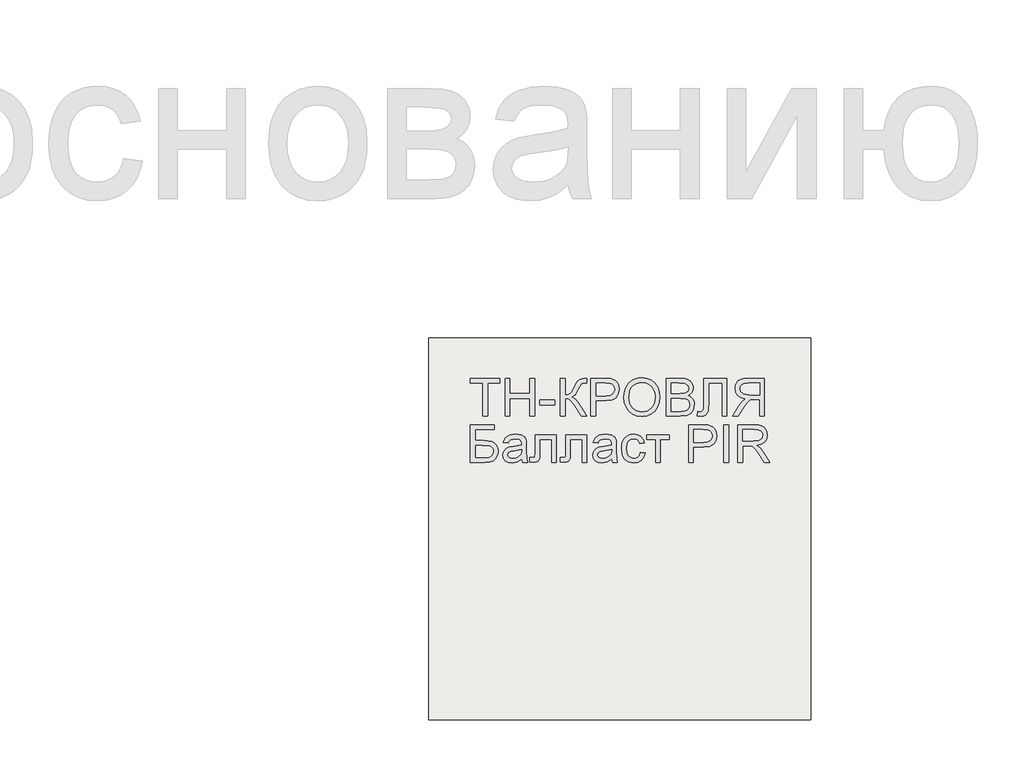
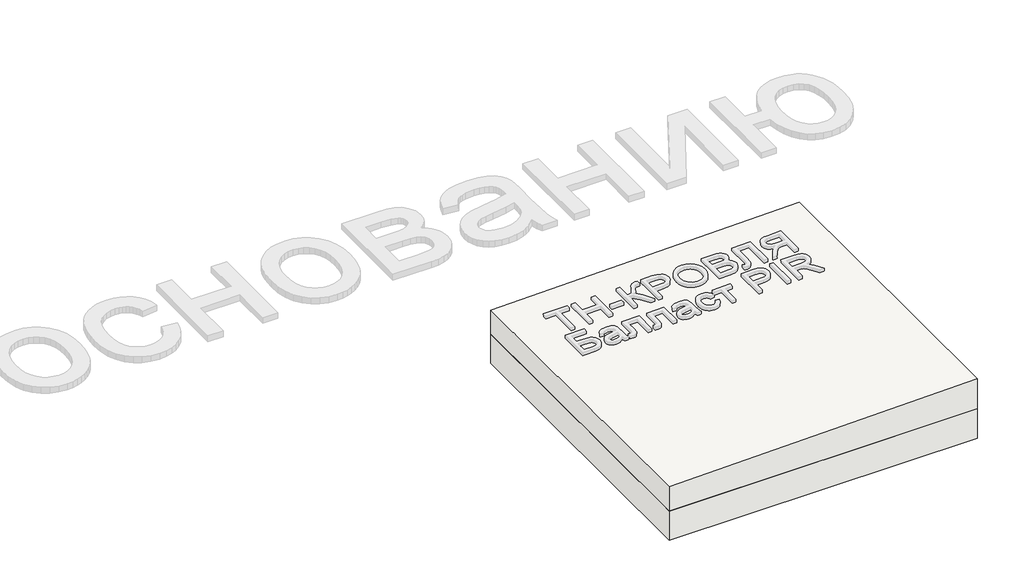
# One storey, part 1 of 3: 1 roof, 1 slab.
"""IFC4 building model written with IfcOpenShell, lengths in millimetres."""

from ifc_helpers import new_model, si_unit, frame, origin, place, context, project, spatial, polyline, outline, extrude, element, save

model = new_model("IFC4")

# Units and contexts
model_context = context("Model", 3, world=origin())
ifc_project = project(units=[si_unit("LENGTHUNIT", "METRE", prefix="MILLI")], contexts=[model_context])

# Site, building, storey
site = spatial("IfcSite", under=ifc_project)
building = spatial("IfcBuilding", under=site)
storey = spatial("IfcBuildingStorey", under=building, Elevation=0.0)

# Roof
placement = place(None, origin())
element("IfcRoof", 1, at=placement, inside=storey, context=model_context, shape_type="SweptSolid", body=[
    extrude(outline(polyline([(165.0, 15706.3955952), (0.0, 15706.3955952), (0.0, 17706.3955952), (205.0, 17706.3955952), (165.0, 15706.3955952)])), frame((0.0, -6302.6148653, 0.0), z_axis=(0.0, 1.0, 0.0), x_axis=(0.0, 0.0, 1.0)), (0.0, 0.0, 1.0), 2000.0),
])

# Slab
element("IfcSlab", 2, at=placement, inside=storey, context=model_context, shape_type="SweptSolid", body=[
    extrude(outline(polyline([(17706.3955952, -6302.6148653), (15706.3955952, -6302.6148653), (15706.3955952, -4302.6148653), (17706.3955952, -4302.6148653), (17706.3955952, -6302.6148653)])), frame((0.0, 0.0, -200.0), z_axis=(0.0, 0.0, 1.0), x_axis=(1.0, 0.0, 0.0)), (0.0, 0.0, 1.0), 200.0),
])

save(model, "model.ifc")
